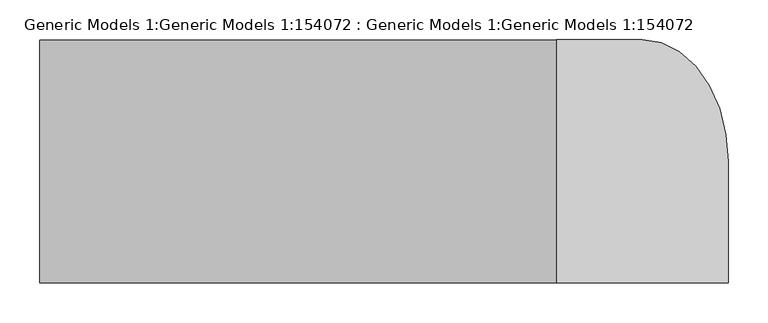
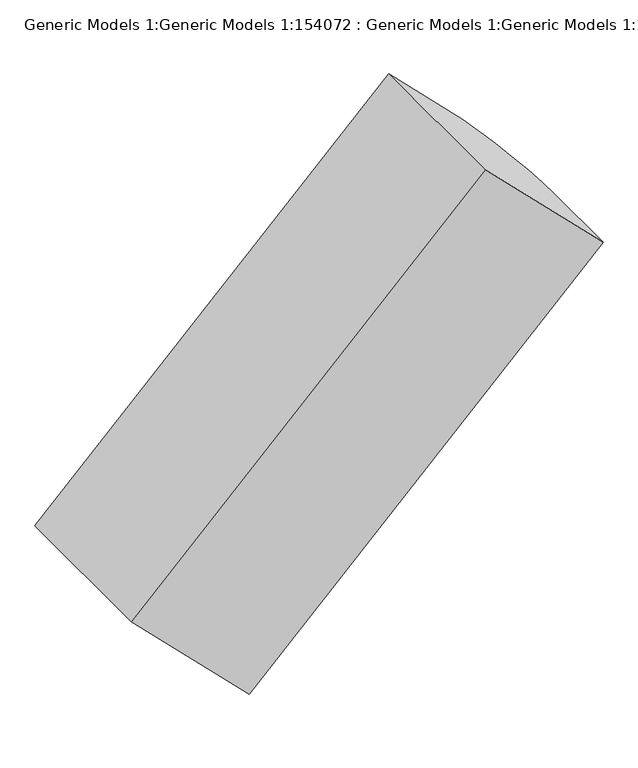
"""IFC4 building model written with IfcOpenShell, lengths in millimetres: proxy geometry, Generic Models 1:Generic Models 1:154072 : Generic Models 1:Generic Models 1:154072."""

from ifc_helpers import new_model, si_unit, frame, origin, place, context, project, spatial, polyline, outline, extrude, source, transform, mapped, element, save


def generic_models_1_generic_models_1_154072_generic_models_1_94309377(model_context):
    return source(origin(), model_context, "Body", "SweptSolid", [
        extrude(outline(polyline([(0.0, 0.0), (151.4417322, -17.063479), (117.3147718, -319.9469656), (-185.5686927, -285.8200077), (-168.5052125, -134.3782643), (-160.9112724, -101.1071345), (-146.1042021, -70.3599769), (-124.8264999, -43.6786012), (-98.1450919, -22.4009318), (-67.3979257, -7.5938779), (-34.1267812, 0.0), (0.0, 0.0)])), frame((-215.5261379, 0.0, 1245.347735), z_axis=(0.7071067811865476, 0.0, 0.7071067811865476), x_axis=(0.07917126997984562, -0.9937121414270618, -0.07917126997984562)), (0.0, 0.0, 1.0), 914.4000547),
    ])


if __name__ == "__main__":
    model = new_model("IFC4")
    model_context = context("Model", 3, world=origin())
    ifc_project = project(units=[si_unit("LENGTHUNIT", "METRE", prefix="MILLI")], contexts=[model_context])
    site = spatial("IfcSite", under=ifc_project)
    building = spatial("IfcBuilding", under=site)
    placement = place(None, origin())
    generic_models_1_generic_models_1_154072_generic_models_1_shape = generic_models_1_generic_models_1_154072_generic_models_1_94309377(model_context)
    element("IfcBuildingElementProxy", 1, Name="Generic Models 1:Generic Models 1:154072 : Generic Models 1:Generic Models 1:154072", ObjectType="Generic Models 1:Generic Models 1:154072 : Generic Models 1:Generic Models 1:154072", at=placement, inside=building, context=model_context, shape_type="MappedRepresentation", body=[
        mapped(generic_models_1_generic_models_1_154072_generic_models_1_shape, transform((0.0, 0.0, 0.0), x_axis=(1.0, 0.0, 0.0), y_axis=(0.0, 1.0, 0.0), z_axis=(0.0, 0.0, 1.0))),
    ])
    save(model, "model.ifc")
